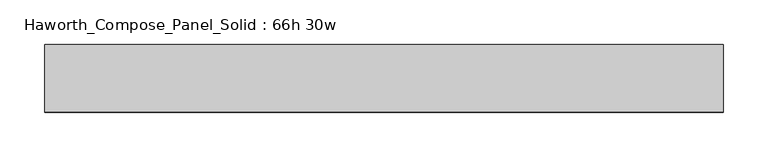
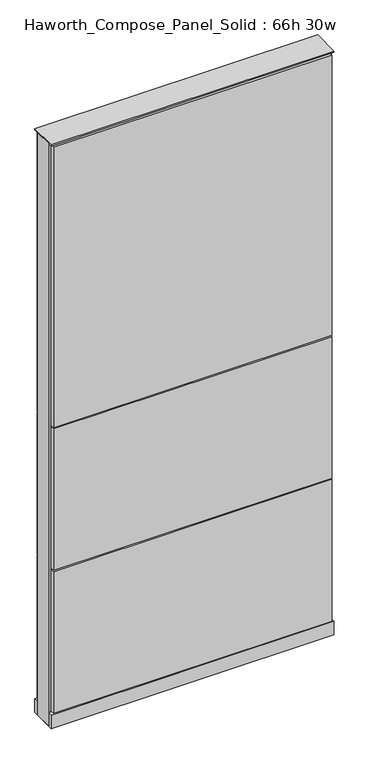
"""IFC4 building model written with IfcOpenShell, lengths in millimetres: furniture geometry, Haworth_Compose_Panel_Solid : 66h 30w."""

import ifcopenshell
import ifcopenshell.guid

model = None  # the IFC model being written
_history = None  # IfcOwnerHistory: only IFC2X3 demands one
_inside = {}  # id of a spatial element -> (the spatial element, [elements in it])
_under = {}  # id of a project, library or spatial element -> (it, [spatial elements below it])
_declared = {}  # id of a project -> (the project, [libraries it declares])
_typed = {}  # id of a type object -> (the type object, [elements of that type])
_made_of = {}  # id of a material, layer set ... -> (it, [elements and type objects made of it])


def new_model(schema):
    """Start an empty IFC model of exactly this schema.

    Asked for "IFC4X3", IfcOpenShell would pick the latest addendum, in which some entities
    have other attributes; the version numbers below select the first issue.
    IFC2X3 requires an IfcOwnerHistory on every rooted entity: one is made here for all.
    """
    global model, _history
    if schema == "IFC4X3":
        model = ifcopenshell.file(schema_version=(4, 3, 0, 0))
    else:
        model = ifcopenshell.file(schema=schema)
    _inside.clear()
    _under.clear()
    _declared.clear()
    _typed.clear()
    _made_of.clear()
    _history = None
    if model.schema == "IFC2X3":
        org = make("IfcOrganization", Name="unknown")
        user = make(
            "IfcPersonAndOrganization",
            ThePerson=make("IfcPerson", FamilyName="unknown"),
            TheOrganization=org,
        )
        app = make(
            "IfcApplication",
            ApplicationDeveloper=org,
            Version="unknown",
            ApplicationFullName="unknown",
            ApplicationIdentifier="unknown",
        )
        _history = make(
            "IfcOwnerHistory",
            OwningUser=user,
            OwningApplication=app,
            ChangeAction="ADDED",
            CreationDate=0,
        )
    return model


def make(cls, **values):
    """One entity of the class cls with the attributes given. An attribute that is None is left unset."""
    return model.create_entity(
        cls, **{name: value for name, value in values.items() if value is not None}
    )


def rooted(cls, **values):
    """An entity with a GlobalId (a new one), such as an element, a storey or a relation."""
    return make(cls, GlobalId=ifcopenshell.guid.new(), OwnerHistory=_history, **values)


def si_unit(unit_type, name, prefix=None):
    """IfcSIUnit, for example si_unit("LENGTHUNIT", "METRE", prefix="MILLI")."""
    return make("IfcSIUnit", UnitType=unit_type, Prefix=prefix, Name=name)


def assignment(units):
    """IfcUnitAssignment: the units of a project."""
    return None if units is None else make("IfcUnitAssignment", Units=units)


def point(xyz):
    """IfcCartesianPoint."""
    return None if xyz is None else make("IfcCartesianPoint", Coordinates=xyz)


def direction(xyz):
    """IfcDirection."""
    return None if xyz is None else make("IfcDirection", DirectionRatios=xyz)


def frame(location, z_axis=None, x_axis=None):
    """IfcAxis2Placement3D, a coordinate frame: its origin and axes. An axis left out is left unset."""
    return make(
        "IfcAxis2Placement3D",
        Location=point(location),
        Axis=direction(z_axis),
        RefDirection=direction(x_axis),
    )


def frame_2d(location, x_axis=None):
    """IfcAxis2Placement2D, a coordinate frame in the plane: its origin and x axis."""
    return make(
        "IfcAxis2Placement2D", Location=point(location), RefDirection=direction(x_axis)
    )


def origin():
    """The frame at (0, 0, 0) with its axes left unset."""
    return frame((0.0, 0.0, 0.0))


def origin_with_axes():
    """The frame at (0, 0, 0) with the z axis (0, 0, 1) and the x axis (1, 0, 0) written out."""
    return frame((0.0, 0.0, 0.0), z_axis=(0.0, 0.0, 1.0), x_axis=(1.0, 0.0, 0.0))


def place(relative_to, where):
    """IfcLocalPlacement: puts the frame where relative to a parent placement (None: the world)."""
    return make(
        "IfcLocalPlacement", PlacementRelTo=relative_to, RelativePlacement=where
    )


def context(
    kind, dimensions, precision=None, world=None, true_north=None, identifier=None
):
    """IfcGeometricRepresentationContext, for example the 3D "Model" context."""
    return make(
        "IfcGeometricRepresentationContext",
        ContextIdentifier=identifier,
        ContextType=kind,
        CoordinateSpaceDimension=dimensions,
        Precision=precision,
        WorldCoordinateSystem=world,
        TrueNorth=true_north,
    )


def project(units=None, contexts=None):
    """IfcProject with its units and contexts."""
    return rooted(
        "IfcProject",
        Name="project",
        RepresentationContexts=contexts,
        UnitsInContext=assignment(units),
    )


def spatial(cls, under=None, at=None, **own):
    """A site, building, storey or space (cls), placed at a placement, below another one or the project."""
    s = rooted(cls, ObjectPlacement=at, **own)
    if under is not None:
        _under.setdefault(under.id(), (under, []))[1].append(s)
    return s


def polyline(points):
    """IfcPolyline through the points."""
    return make("IfcPolyline", Points=[point(p) for p in points])


def circle_curve(where, radius):
    """IfcCircle in the frame where."""
    return make("IfcCircle", Position=where, Radius=radius)


def trimmed(basis, trim1, trim2, sense, master):
    """IfcTrimmedCurve: the piece of a basis curve between two trims."""
    return make(
        "IfcTrimmedCurve",
        BasisCurve=basis,
        Trim1=trim1,
        Trim2=trim2,
        SenseAgreement=sense,
        MasterRepresentation=master,
    )


def segment(curve, same_sense, transition):
    """IfcCompositeCurveSegment."""
    return make(
        "IfcCompositeCurveSegment",
        Transition=transition,
        SameSense=same_sense,
        ParentCurve=curve,
    )


def composite_curve(segments, self_intersect=None):
    """IfcCompositeCurve: segments joined end to end."""
    return make("IfcCompositeCurve", Segments=segments, SelfIntersect=self_intersect)


def outline(outer, holes=None, kind="AREA"):
    """IfcArbitraryClosedProfileDef: a profile drawn as a closed curve; with holes, ...WithVoids."""
    if holes is None:
        return make("IfcArbitraryClosedProfileDef", ProfileType=kind, OuterCurve=outer)
    return make(
        "IfcArbitraryProfileDefWithVoids",
        ProfileType=kind,
        OuterCurve=outer,
        InnerCurves=holes,
    )


def extrude(swept, where, along, depth):
    """IfcExtrudedAreaSolid: the profile swept, set in the frame where, extruded along a direction by depth."""
    return make(
        "IfcExtrudedAreaSolid",
        SweptArea=swept,
        Position=where,
        ExtrudedDirection=direction(along),
        Depth=depth,
    )


def shape(context_of_items, identifier, shape_type, items):
    """IfcShapeRepresentation: the items that make up one representation, for example the "Body"."""
    return make(
        "IfcShapeRepresentation",
        ContextOfItems=context_of_items,
        RepresentationIdentifier=identifier,
        RepresentationType=shape_type,
        Items=items,
    )


def source(mapping_origin, context_of_items, identifier, shape_type, items):
    """IfcRepresentationMap: a shape defined once, which mapped items show again and again."""
    return make(
        "IfcRepresentationMap",
        MappingOrigin=mapping_origin,
        MappedRepresentation=shape(context_of_items, identifier, shape_type, items),
    )


def transform(
    local_origin,
    x_axis=None,
    y_axis=None,
    z_axis=None,
    scale=None,
    scale2=None,
    scale3=None,
    uniform=True,
):
    """IfcCartesianTransformationOperator3D, or its non-uniform kind. x_axis, y_axis, z_axis: its Axis1, 2, 3."""
    if uniform:
        return make(
            "IfcCartesianTransformationOperator3D",
            Axis1=direction(x_axis),
            Axis2=direction(y_axis),
            LocalOrigin=point(local_origin),
            Scale=scale,
            Axis3=direction(z_axis),
        )
    return make(
        "IfcCartesianTransformationOperator3DnonUniform",
        Axis1=direction(x_axis),
        Axis2=direction(y_axis),
        LocalOrigin=point(local_origin),
        Scale=scale,
        Axis3=direction(z_axis),
        Scale2=scale2,
        Scale3=scale3,
    )


def mapped(mapping_source, mapping_target):
    """IfcMappedItem: shows the shape of a source again, moved by a transform."""
    return make(
        "IfcMappedItem", MappingSource=mapping_source, MappingTarget=mapping_target
    )


def made_of(thing, what):
    """Note that an element or type object is made of a material, layer set ...; save() writes the relation."""
    if what is not None:
        _made_of.setdefault(what.id(), (what, []))[1].append(thing)
    return thing


def element(
    cls,
    number,
    at=None,
    inside=None,
    cuts=None,
    type_object=None,
    material=None,
    context=None,
    identifier="Body",
    shape_type=None,
    held_by="IfcProductDefinitionShape",
    body=None,
    shapes=None,
    **own,
):
    """One element of the class cls, such as IfcWall. Its Tag is "e" and its number.

    at: its placement. inside: the storey or other place that contains it. cuts: it is an
    opening in that element (IfcRelVoidsElement). A single representation is given by context,
    identifier, shape_type and body (its items); several are given by shapes. held_by: the class
    of the entity that holds the representations. save() writes the other relations.
    """
    e = rooted(cls, Tag="e%d" % number, ObjectPlacement=at, **own)
    if body is not None:
        shapes = [shape(context, identifier, shape_type, body)]
    if shapes is not None:
        e.Representation = make(held_by, Representations=shapes)
    if inside is not None:
        _inside.setdefault(inside.id(), (inside, []))[1].append(e)
    if cuts is not None:
        rooted(
            "IfcRelVoidsElement", RelatingBuildingElement=cuts, RelatedOpeningElement=e
        )
    if type_object is not None:
        _typed.setdefault(type_object.id(), (type_object, []))[1].append(e)
    return made_of(e, material)


def aggregate(whole, parts):
    """IfcRelAggregates: a whole, such as a stair, and the parts it consists of."""
    return rooted("IfcRelAggregates", RelatingObject=whole, RelatedObjects=parts)


def save(model, path):
    """Write the relations noted so far, then the file.

    IfcRelAggregates (storeys below a building ...), IfcRelContainedInSpatialStructure (elements
    in a storey), IfcRelDefinesByType, IfcRelAssociatesMaterial and IfcRelDeclares: one each for
    every whole, place, type object, material and project.
    """
    for whole, parts in _under.values():
        aggregate(whole, parts)
    for where, things in _inside.values():
        rooted(
            "IfcRelContainedInSpatialStructure",
            RelatedElements=things,
            RelatingStructure=where,
        )
    for kind, things in _typed.values():
        rooted("IfcRelDefinesByType", RelatedObjects=things, RelatingType=kind)
    for what, things in _made_of.values():
        rooted("IfcRelAssociatesMaterial", RelatedObjects=things, RelatingMaterial=what)
    for by, libraries in _declared.values():
        rooted("IfcRelDeclares", RelatingContext=by, RelatedDefinitions=libraries)
    model.write(path)


def haworth_compose_panel_solid_66h_30w_2909444b(model_context):
    return source(origin(), model_context, "Body", "SweptSolid", [
        extrude(outline(composite_curve([segment(trimmed(circle_curve(frame_2d((-302.3597098, 0.0)), 12.7), [point((-315.0597098, 0.0))], [point((-289.6597098, 0.0))], False, "CARTESIAN"), True, "CONTINUOUS"), segment(trimmed(circle_curve(frame_2d((-302.3597098, 0.0)), 12.7), [point((-289.6597098, 0.0))], [point((-315.0597098, 0.0))], False, "CARTESIAN"), True, "CONTINUOUS")], self_intersect=False)), origin_with_axes(), (0.0, 0.0, 1.0), 12.7),
        extrude(outline(composite_curve([segment(trimmed(circle_curve(frame_2d((307.2402902, 0.0)), 12.7), [point((294.5402902, 0.0))], [point((319.9402902, 0.0))], False, "CARTESIAN"), True, "CONTINUOUS"), segment(trimmed(circle_curve(frame_2d((307.2402902, 0.0)), 12.7), [point((319.9402902, 0.0))], [point((294.5402902, 0.0))], False, "CARTESIAN"), True, "CONTINUOUS")], self_intersect=False)), origin_with_axes(), (0.0, 0.0, 1.0), 12.7),
        extrude(outline(polyline([(377.0902902, 38.1), (377.0902902, 25.4), (-372.2097098, 25.4), (-372.2097098, 38.1), (377.0902902, 38.1)])), frame((0.0, 0.0, 866.775), z_axis=(0.0, 0.0, 1.0), x_axis=(1.0, 0.0, 0.0)), (0.0, 0.0, 1.0), 796.925),
        extrude(outline(polyline([(377.0902902, 38.1), (377.0902902, 25.4), (-372.2097098, 25.4), (-372.2097098, 38.1), (377.0902902, 38.1)])), frame((0.0, 0.0, 460.375), z_axis=(0.0, 0.0, 1.0), x_axis=(1.0, 0.0, 0.0)), (0.0, 0.0, 1.0), 403.225),
        extrude(outline(polyline([(377.0902902, 38.1), (377.0902902, 25.4), (-372.2097098, 25.4), (-372.2097098, 38.1), (377.0902902, 38.1)])), frame((0.0, 0.0, 53.975), z_axis=(0.0, 0.0, 1.0), x_axis=(1.0, 0.0, 0.0)), (0.0, 0.0, 1.0), 403.225),
        extrude(outline(polyline([(377.0902902, -38.1), (-372.2097098, -38.1), (-372.2097098, -25.4), (377.0902902, -25.4), (377.0902902, -38.1)])), frame((0.0, 0.0, 866.775), z_axis=(0.0, 0.0, 1.0), x_axis=(1.0, 0.0, 0.0)), (0.0, 0.0, 1.0), 796.925),
        extrude(outline(polyline([(377.0902902, -38.1), (-372.2097098, -38.1), (-372.2097098, -25.4), (377.0902902, -25.4), (377.0902902, -38.1)])), frame((0.0, 0.0, 460.375), z_axis=(0.0, 0.0, 1.0), x_axis=(1.0, 0.0, 0.0)), (0.0, 0.0, 1.0), 403.225),
        extrude(outline(polyline([(377.0902902, -38.1), (-372.2097098, -38.1), (-372.2097098, -25.4), (377.0902902, -25.4), (377.0902902, -38.1)])), frame((0.0, 0.0, 53.975), z_axis=(0.0, 0.0, 1.0), x_axis=(1.0, 0.0, 0.0)), (0.0, 0.0, 1.0), 403.225),
        extrude(outline(polyline([(383.4402902, 25.4), (383.4402902, -25.4), (-378.5597098, -25.4), (-378.5597098, 25.4), (383.4402902, 25.4)])), frame((0.0, 0.0, 12.7), z_axis=(0.0, 0.0, 1.0), x_axis=(1.0, 0.0, 0.0)), (0.0, 0.0, 1.0), 1657.35),
        extrude(outline(polyline([(-378.5597098, -38.1), (-378.5597098, 38.1), (383.4402902, 38.1), (383.4402902, -38.1), (-378.5597098, -38.1)])), frame((0.0, 0.0, 12.7), z_axis=(0.0, 0.0, 1.0), x_axis=(1.0, 0.0, 0.0)), (0.0, 0.0, 1.0), 38.1),
        extrude(outline(polyline([(-378.5597098, -38.1), (-378.5597098, 38.1), (383.4402902, 38.1), (383.4402902, -38.1), (-378.5597098, -38.1)])), frame((0.0, 0.0, 1670.05), z_axis=(0.0, 0.0, 1.0), x_axis=(1.0, 0.0, 0.0)), (0.0, 0.0, 1.0), 3.175),
    ])


if __name__ == "__main__":
    model = new_model("IFC4")
    model_context = context("Model", 3, world=origin())
    ifc_project = project(units=[si_unit("LENGTHUNIT", "METRE", prefix="MILLI")], contexts=[model_context])
    site = spatial("IfcSite", under=ifc_project)
    building = spatial("IfcBuilding", under=site)
    placement = place(None, origin())
    haworth_compose_panel_solid_66h_30w_shape = haworth_compose_panel_solid_66h_30w_2909444b(model_context)
    element("IfcFurniture", 1, ObjectType="Haworth_Compose_Panel_Solid : 66h 30w", at=placement, inside=building, context=model_context, shape_type="MappedRepresentation", body=[
        mapped(haworth_compose_panel_solid_66h_30w_shape, transform((0.0, 0.0, 0.0), x_axis=(1.0, 0.0, 0.0), y_axis=(0.0, 1.0, 0.0), z_axis=(0.0, 0.0, 1.0))),
    ])
    save(model, "model.ifc")
